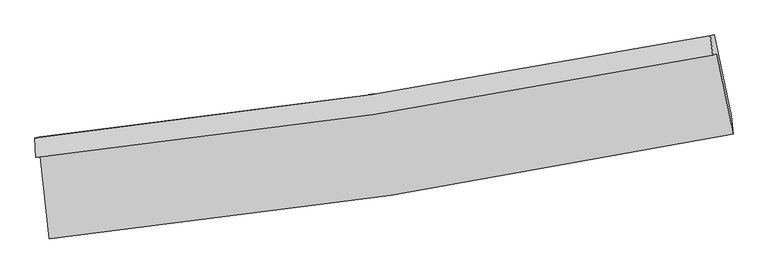
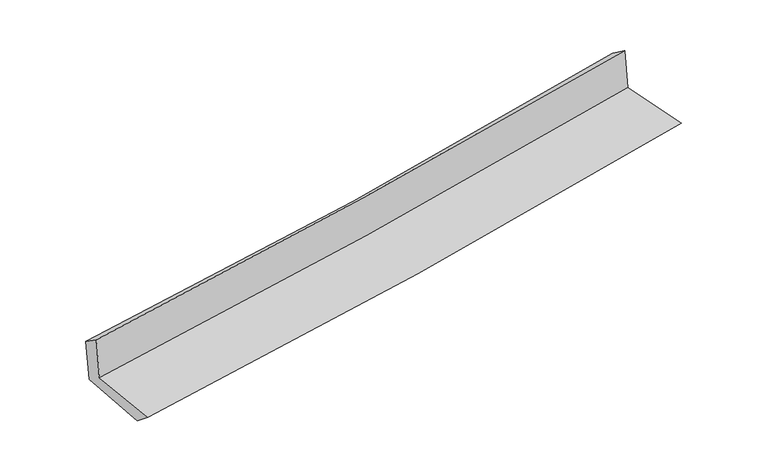
"""IFC4 building model written with IfcOpenShell, lengths in millimetres: proxy geometry."""

from ifc_helpers import new_model, si_unit, frame, origin, place, context, project, spatial, source, transform, mapped, element, save
from ifc_brep_helpers import plane_surface, spline_curve, spline_surface, advanced_brep


def generic_models_b0e3512f(model_context):
    return source(origin(), model_context, "Body", "AdvancedBrep", [
        advanced_brep(
        [(-2744.3995186, -1898.1751347, 1654.9666182), (-2671.7953994, -2564.8188496, 1641.3837058), (2832.3390751, -1718.9851681, 2128.4213921), (2702.5611847, -1071.5298186, 2136.5540283), (-2778.0738944, -1909.048108, 2050.7263127), (2669.246123, -1082.0740006, 2522.3213301), (-2785.6559038, -1749.3344887, 1942.5150956), (2648.4298643, -924.9874059, 2408.0662281), (-2751.586961, -1743.8178039, 1548.7908106), (2682.5554032, -919.4698636, 2024.3824211), (-2677.2244403, -2402.8779005, 1506.005277), (2815.5800967, -1569.6790248, 1986.8623103)],
        [
            (0, 1),
            (1, 2, spline_curve(3, [(-2671.7953994, -2564.8188496, 1641.3837058), (-1754.35094443, -2469.427346038, 1732.082021376), (-839.674901004, -2351.80028476, 1817.80504748), (995.103555929, -2070.393581211, 1980.271290347), (1915.139003785, -1906.076082187, 2056.894160046), (2832.3390751, -1718.9851681, 2128.4213921)], [4, 2, 4], [0.0, 9.069617756512493, 18.248272832437515])),
            (2, 3),
            (3, 0, spline_curve(3, [(2702.5611847, -1071.5298186, 2136.5540283), (1794.801872605, -1251.529807377, 2066.048318447), (884.280187588, -1410.704832289, 1990.392792165), (-931.438621124, -1685.761431906, 1829.742027991), (-1836.570503983, -1802.134845706, 1744.868417876), (-2744.3995186, -1898.1751347, 1654.9666182)], [4, 2, 4], [0.0, 9.178655075925022, 18.248272832437515])),
            (4, 0),
            (3, 5),
            (5, 4, spline_curve(3, [(2669.246123, -1082.0740006, 2522.3213301), (1761.156537841, -1262.257421151, 2456.766170462), (850.440401135, -1421.551341054, 2384.413808815), (-965.394971178, -1696.716013781, 2227.054934994), (-1870.452173905, -1813.080129295, 2142.208957403), (-2778.0738944, -1909.048108, 2050.7263127)], [4, 2, 4], [0.0, 9.128870573847667, 18.1492952404897])),
            (6, 4),
            (5, 7),
            (7, 6, spline_curve(3, [(2648.4298643, -924.9874059, 2408.0662281), (1744.040926891, -1104.226805354, 2327.642778868), (836.280131091, -1262.8299927, 2248.410386955), (-975.161427507, -1537.124972138, 2093.254806308), (-1878.762554358, -1653.304145925, 2017.303487319), (-2785.6559038, -1749.3344887, 1942.5150956)], [4, 2, 4], [0.0, 9.116808449477075, 18.12531428308008])),
            (8, 6),
            (7, 9),
            (9, 8, spline_curve(3, [(2682.5554032, -919.4698636, 2024.3824211), (1777.850836047, -1098.765984813, 1945.717157523), (869.928395619, -1257.397435769, 1866.511870483), (-941.528391243, -1531.692029374, 1707.96857967), (-1844.986739158, -1647.843225093, 1628.643329856), (-2751.586961, -1743.8178039, 1548.7908106)], [4, 2, 4], [0.0, 9.105991730622135, 18.10380934197662])),
            (10, 8),
            (9, 11),
            (11, 10, spline_curve(3, [(2815.5800967, -1569.6790248, 1986.8623103), (1900.520070764, -1751.006777223, 1907.247778076), (982.503729926, -1911.394392638, 1827.126648174), (-848.5009372, -2188.632792038, 1666.829005803), (-1761.419442397, -2305.978134998, 1586.66445788), (-2677.2244403, -2402.8779005, 1506.005277)], [4, 2, 4], [0.0, 9.155908262885575, 18.203049425851397])),
            (1, 10),
            (11, 2),
        ],
        [
            spline_surface(3, 3, [[(-2744.3995186, -1898.1751347, 1654.9666182), (-1836.570504011, -1802.134845742, 1744.868417968), (-931.438621184, -1685.761431879, 1829.742028127), (884.28018765, -1410.704832316, 1990.392792027), (1794.801872613, -1251.529807502, 2066.048318509), (2702.5611847, -1071.5298186, 2136.5540283)], [(-2720.198145531, -2120.389706342, 1650.438980734), (-1809.163984175, -2024.56567917, 1740.606285803), (-900.850714426, -1907.774382823, 1825.76303455), (921.221310381, -1630.601082016, 1987.018958155), (1834.914249668, -1469.711899088, 2062.996932287), (2745.820481505, -1287.348268451, 2133.843149546)], [(-2695.996772469, -2342.604277958, 1645.911343266), (-1781.757464345, -2246.99651257, 1736.344153639), (-870.262807673, -2129.78733369, 1821.784040983), (958.162433108, -1850.497331638, 1983.645124293), (1875.026626708, -1687.89399062, 2059.945546128), (2789.079778295, -1503.166718249, 2131.132270854)], [(-2671.7953994, -2564.8188496, 1641.3837058), (-1754.350944509, -2469.427345998, 1732.082021475), (-839.674900915, -2351.800284634, 1817.805047407), (995.103555839, -2070.393581338, 1980.271290421), (1915.139003763, -1906.076082206, 2056.894159906), (2832.3390751, -1718.9851681, 2128.4213921)]], [4, 4], [4, 2, 4], [0.0, 2.2002250540359483], [0.0, 9.069617756512493, 18.248272832437515]),
            spline_surface(3, 3, [[(-2778.0738944, -1909.048108, 2050.7263127), (-1870.452173796, -1813.080129264, 2142.208957364), (-965.394971235, -1696.716013649, 2227.05493497), (850.440401192, -1421.551341187, 2384.41380884), (1761.156537731, -1262.257421018, 2456.766170349), (2669.246123, -1082.0740006, 2522.3213301)], [(-2766.849102441, -1905.423783568, 1918.806414513), (-1859.158283842, -1809.431701425, 2009.762110879), (-954.076187875, -1693.064486368, 2094.617299359), (861.720330021, -1417.935838206, 2253.073469905), (1772.371649355, -1258.681549845, 2326.526886403), (2680.351143563, -1078.559273265, 2393.732229501)], [(-2755.624310559, -1901.799459132, 1786.886516387), (-1847.864393965, -1805.783273581, 1877.315264453), (-942.757404544, -1689.41295916, 1962.179663738), (873.000258821, -1414.320335297, 2121.733130961), (1783.586760989, -1255.105678676, 2196.287602455), (2691.456164137, -1075.044545935, 2265.143128899)], [(-2744.3995186, -1898.1751347, 1654.9666182), (-1836.570504011, -1802.134845742, 1744.868417968), (-931.438621184, -1685.761431879, 1829.742028127), (884.28018765, -1410.704832316, 1990.392792027), (1794.801872613, -1251.529807502, 2066.048318509), (2702.5611847, -1071.5298186, 2136.5540283)]], [4, 4], [4, 2, 4], [0.0, 1.3033009202940526], [0.0, 9.020424666642032, 18.1492952404897]),
            spline_surface(3, 3, [[(-2785.6559038, -1749.3344887, 1942.5150956), (-1878.762554386, -1653.304145875, 2017.303487171), (-975.161427443, -1537.124972259, 2093.254806284), (836.280131026, -1262.829992577, 2248.410386979), (1744.040926768, -1104.226805246, 2327.642778734), (2648.4298643, -924.9874059, 2408.0662281)], [(-2783.128567331, -1802.572361802, 1978.585501298), (-1875.99242752, -1706.562807006, 2058.9386439), (-971.905942047, -1590.321986057, 2137.854849197), (841.000221075, -1315.737108782, 2293.744860951), (1749.746130434, -1156.903677157, 2370.683909296), (2655.368617212, -977.34960412, 2446.151262124)], [(-2780.601230869, -1855.810234898, 2014.655907002), (-1873.222300661, -1759.821468132, 2100.573800635), (-968.650456631, -1643.518999851, 2182.454892056), (845.720311143, -1368.644224983, 2339.079334868), (1755.451334064, -1209.580549107, 2413.725039787), (2662.307370088, -1029.71180238, 2484.236296076)], [(-2778.0738944, -1909.048108, 2050.7263127), (-1870.452173796, -1813.080129264, 2142.208957364), (-965.394971235, -1696.716013649, 2227.05493497), (850.440401192, -1421.551341187, 2384.41380884), (1761.156537731, -1262.257421018, 2456.766170349), (2669.246123, -1082.0740006, 2522.3213301)]], [4, 4], [4, 2, 4], [0.0, 0.685645284405609], [0.0, 9.008505833603005, 18.12531428308008]),
            spline_surface(3, 3, [[(-2751.586961, -1743.8178039, 1548.7908106), (-1844.98673903, -1647.843224964, 1628.643329751), (-941.528391321, -1531.692029272, 1707.968579601), (869.928395698, -1257.397435872, 1866.511870552), (1777.850836115, -1098.765984787, 1945.717157597), (2682.5554032, -919.4698636, 2024.3824211)], [(-2762.943275295, -1745.656698843, 1680.032238924), (-1856.245344176, -1649.663531944, 1758.196715548), (-952.739403357, -1533.503010272, 1836.397321805), (858.712307479, -1259.208288112, 1993.811376004), (1766.580866342, -1100.586258284, 2073.02569798), (2671.180223576, -921.309044377, 2152.277023438)], [(-2774.299589505, -1747.495593757, 1811.273667276), (-1867.503949239, -1651.483838895, 1887.750101374), (-963.950415407, -1535.313991259, 1964.82606408), (847.496219245, -1261.019140338, 2121.110881528), (1755.310896541, -1102.406531749, 2200.334238351), (2659.805043924, -923.148225123, 2280.171625762)], [(-2785.6559038, -1749.3344887, 1942.5150956), (-1878.762554386, -1653.304145875, 2017.303487171), (-975.161427443, -1537.124972259, 2093.254806284), (836.280131026, -1262.829992577, 2248.410386979), (1744.040926768, -1104.226805246, 2327.642778734), (2648.4298643, -924.9874059, 2408.0662281)]], [4, 4], [4, 2, 4], [0.0, 1.2633957430494784], [0.0, 8.997817611354487, 18.10380934197662]),
            spline_surface(3, 3, [[(-2677.2244403, -2402.8779005, 1506.005277), (-1761.419442252, -2305.978134944, 1586.664457881), (-848.500937236, -2188.632791999, 1666.829005749), (982.503729963, -1911.394392677, 1827.126648229), (1900.520070644, -1751.006777101, 1907.247778113), (2815.5800967, -1569.6790248, 1986.8623103)], [(-2702.011947191, -2183.191201618, 1520.267121564), (-1789.275207835, -2086.599831602, 1600.657415202), (-879.510088619, -1969.652537765, 1680.542197039), (944.978618521, -1693.395407084, 1840.255055676), (1859.630325796, -1533.593179676, 1920.0709046), (2771.238532194, -1352.942637746, 1999.369013892)], [(-2726.799454109, -1963.504502782, 1534.528966036), (-1817.130973446, -1867.221528306, 1614.65037243), (-910.519239939, -1750.672283506, 1694.255388311), (907.45350714, -1475.396421465, 1853.383463105), (1818.740580964, -1316.179582212, 1932.89403111), (2726.896967706, -1136.206250654, 2011.875717508)], [(-2751.586961, -1743.8178039, 1548.7908106), (-1844.98673903, -1647.843224964, 1628.643329751), (-941.528391321, -1531.692029272, 1707.968579601), (869.928395698, -1257.397435872, 1866.511870552), (1777.850836115, -1098.765984787, 1945.717157597), (2682.5554032, -919.4698636, 2024.3824211)]], [4, 4], [4, 2, 4], [0.0, 2.1807807351031987], [0.0, 9.047141162965822, 18.203049425851397]),
            spline_surface(3, 3, [[(-2671.7953994, -2564.8188496, 1641.3837058), (-1754.350944509, -2469.427345998, 1732.082021475), (-839.674900915, -2351.800284634, 1817.805047407), (995.103555839, -2070.393581338, 1980.271290421), (1915.139003763, -1906.076082206, 2056.894159906), (2832.3390751, -1718.9851681, 2128.4213921)], [(-2673.605079711, -2510.838533227, 1596.257562867), (-1756.707110435, -2414.94427564, 1683.609500277), (-842.616913011, -2297.411120406, 1767.479700187), (990.903613892, -2017.393851768, 1929.223076357), (1910.266026039, -1854.386313811, 2007.012032642), (2826.752748949, -1669.21645364, 2081.2350315)], [(-2675.414759989, -2456.858216873, 1551.131419933), (-1759.063276326, -2360.461205302, 1635.136979078), (-845.558925141, -2243.021956227, 1717.154352969), (986.703671911, -1964.394122247, 1878.174862294), (1905.393048368, -1802.696545496, 1957.129905377), (2821.166422851, -1619.44773926, 2034.0486709)], [(-2677.2244403, -2402.8779005, 1506.005277), (-1761.419442252, -2305.978134944, 1586.664457881), (-848.500937236, -2188.632791999, 1666.829005749), (982.503729963, -1911.394392677, 1827.126648229), (1900.520070644, -1751.006777101, 1907.247778113), (2815.5800967, -1569.6790248, 1986.8623103)]], [4, 4], [4, 2, 4], [0.0, 0.7275860599434398], [0.0, 9.107072276571351, 18.323632160602287]),
            plane_surface(frame((2725.1186245, -1214.4542136, 2201.101285), z_axis=(0.9767632239382071, 0.19465895455264895, 0.08967438750451465), x_axis=(-0.08858301997421002, -0.0143224276812907, 0.9959658210187552))),
            plane_surface(frame((-2734.7893529, -2044.6787143, 1724.0646366), z_axis=(-0.9905247304242459, -0.10610133852829629, -0.08719669936688638), x_axis=(-0.1082475040752182, 0.9939176872801231, 0.020251142516340446))),
        ],
        [
            (0, [[1, 2, 3, 4]]),
            (1, [[5, -4, 6, 7]]),
            (2, [[8, -7, 9, 10]]),
            (3, [[11, -10, 12, 13]]),
            (4, [[14, -13, 15, 16]]),
            (5, [[17, -16, 18, -2]]),
            (6, [[-12, -9, -6, -3, -18, -15]]),
            (7, [[-1, -5, -8, -11, -14, -17]]),
        ],
    ),
    ])


if __name__ == "__main__":
    model = new_model("IFC4")
    model_context = context("Model", 3, world=origin())
    ifc_project = project(units=[si_unit("LENGTHUNIT", "METRE", prefix="MILLI")], contexts=[model_context])
    site = spatial("IfcSite", under=ifc_project)
    building = spatial("IfcBuilding", under=site)
    placement = place(None, origin())
    generic_models_shape = generic_models_b0e3512f(model_context)
    element("IfcBuildingElementProxy", 1, Name="Generic Models", at=placement, inside=building, context=model_context, shape_type="MappedRepresentation", body=[
        mapped(generic_models_shape, transform((0.0, 0.0, 0.0), x_axis=(1.0, 0.0, 0.0), y_axis=(0.0, 1.0, 0.0), z_axis=(0.0, 0.0, 1.0))),
    ])
    save(model, "model.ifc")
